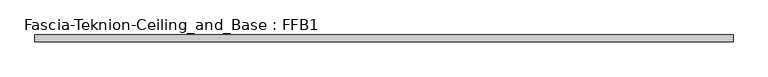
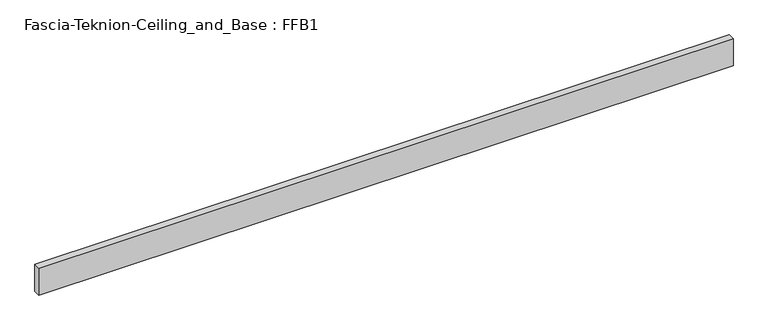
"""IFC4 building model written with IfcOpenShell, lengths in millimetres: proxy geometry, Fascia-Teknion-Ceiling_and_Base : FFB1."""

from ifc_helpers import new_model, si_unit, origin, origin_with_axes, place, context, project, spatial, polyline, outline, extrude, source, transform, mapped, element, save


def fascia_teknion_ceiling_and_base_ffb1_ef166fc6(model_context):
    return source(origin(), model_context, "Body", "SweptSolid", [
        extrude(outline(polyline([(993.1356344, 0.0), (993.1356344, -19.05), (-993.1356344, -19.05), (-993.1356344, 0.0), (993.1356344, 0.0)])), origin_with_axes(), (0.0, 0.0, 1.0), 81.28),
    ])


if __name__ == "__main__":
    model = new_model("IFC4")
    model_context = context("Model", 3, world=origin())
    ifc_project = project(units=[si_unit("LENGTHUNIT", "METRE", prefix="MILLI")], contexts=[model_context])
    site = spatial("IfcSite", under=ifc_project)
    building = spatial("IfcBuilding", under=site)
    placement = place(None, origin())
    fascia_teknion_ceiling_and_base_ffb1_shape = fascia_teknion_ceiling_and_base_ffb1_ef166fc6(model_context)
    element("IfcBuildingElementProxy", 1, Name="Fascia-Teknion-Ceiling_and_Base : FFB1", ObjectType="Fascia-Teknion-Ceiling_and_Base : FFB1", at=placement, inside=building, context=model_context, shape_type="MappedRepresentation", body=[
        mapped(fascia_teknion_ceiling_and_base_ffb1_shape, transform((0.0, 0.0, 0.0), x_axis=(1.0, 0.0, 0.0), y_axis=(0.0, 1.0, 0.0), z_axis=(0.0, 0.0, 1.0))),
    ])
    save(model, "model.ifc")
